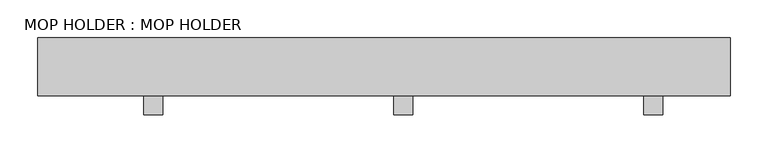
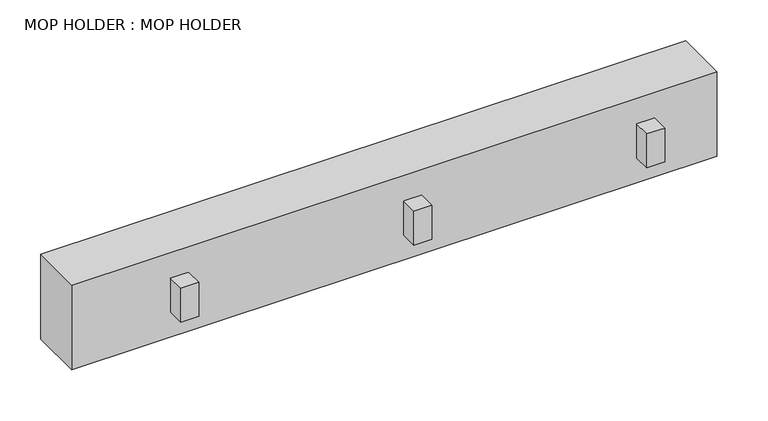
"""IFC4 building model written with IfcOpenShell, lengths in millimetres: proxy geometry, MOP HOLDER : MOP HOLDER."""

from ifc_helpers import new_model, si_unit, frame, origin, place, context, project, spatial, polyline, outline, extrude, source, transform, mapped, element, save


def mop_holder_mop_holder_1fe13674(model_context):
    return source(origin(), model_context, "Body", "SweptSolid", [
        extrude(outline(polyline([(431.8, -38.1), (-482.6, -38.1), (-482.6, 38.1), (431.8, 38.1), (431.8, -38.1)])), frame((0.0, 0.0, 1219.2), z_axis=(0.0, 0.0, 1.0), x_axis=(1.0, 0.0, 0.0)), (0.0, 0.0, 1.0), 127.0),
        extrude(outline(polyline([(342.9, -63.5), (317.5, -63.5), (317.5, -38.1), (342.9, -38.1), (342.9, -63.5)])), frame((0.0, 0.0, 1257.3), z_axis=(0.0, 0.0, 1.0), x_axis=(1.0, 0.0, 0.0)), (0.0, 0.0, 1.0), 50.8),
        extrude(outline(polyline([(12.7, -63.5), (-12.7, -63.5), (-12.7, -38.1), (12.7, -38.1), (12.7, -63.5)])), frame((0.0, 0.0, 1257.3), z_axis=(0.0, 0.0, 1.0), x_axis=(1.0, 0.0, 0.0)), (0.0, 0.0, 1.0), 50.8),
        extrude(outline(polyline([(-317.5, -63.5), (-342.9, -63.5), (-342.9, -38.1), (-317.5, -38.1), (-317.5, -63.5)])), frame((0.0, 0.0, 1257.3), z_axis=(0.0, 0.0, 1.0), x_axis=(1.0, 0.0, 0.0)), (0.0, 0.0, 1.0), 50.8),
    ])


if __name__ == "__main__":
    model = new_model("IFC4")
    model_context = context("Model", 3, world=origin())
    ifc_project = project(units=[si_unit("LENGTHUNIT", "METRE", prefix="MILLI")], contexts=[model_context])
    site = spatial("IfcSite", under=ifc_project)
    building = spatial("IfcBuilding", under=site)
    placement = place(None, origin())
    mop_holder_mop_holder_shape = mop_holder_mop_holder_1fe13674(model_context)
    element("IfcBuildingElementProxy", 1, Name="MOP HOLDER : MOP HOLDER", ObjectType="MOP HOLDER : MOP HOLDER", at=placement, inside=building, context=model_context, shape_type="MappedRepresentation", body=[
        mapped(mop_holder_mop_holder_shape, transform((0.0, 0.0, 0.0), x_axis=(1.0, 0.0, 0.0), y_axis=(0.0, 1.0, 0.0), z_axis=(0.0, 0.0, 1.0))),
    ])
    save(model, "model.ifc")
